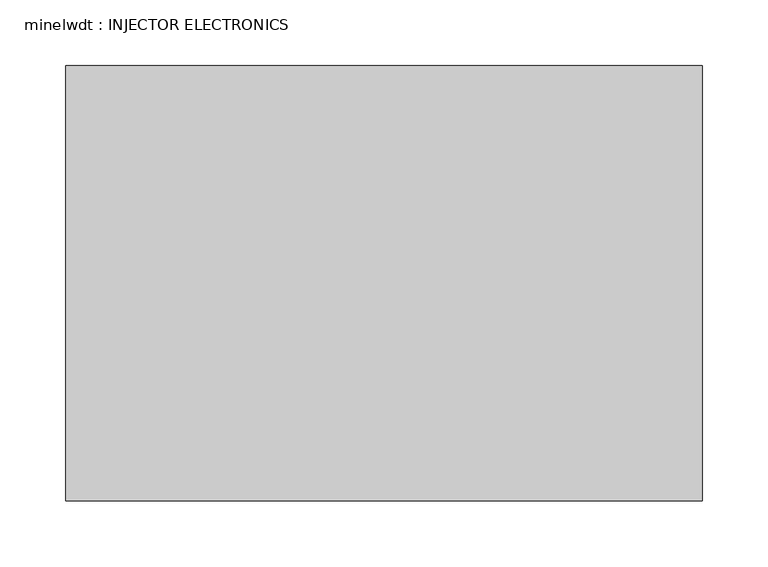
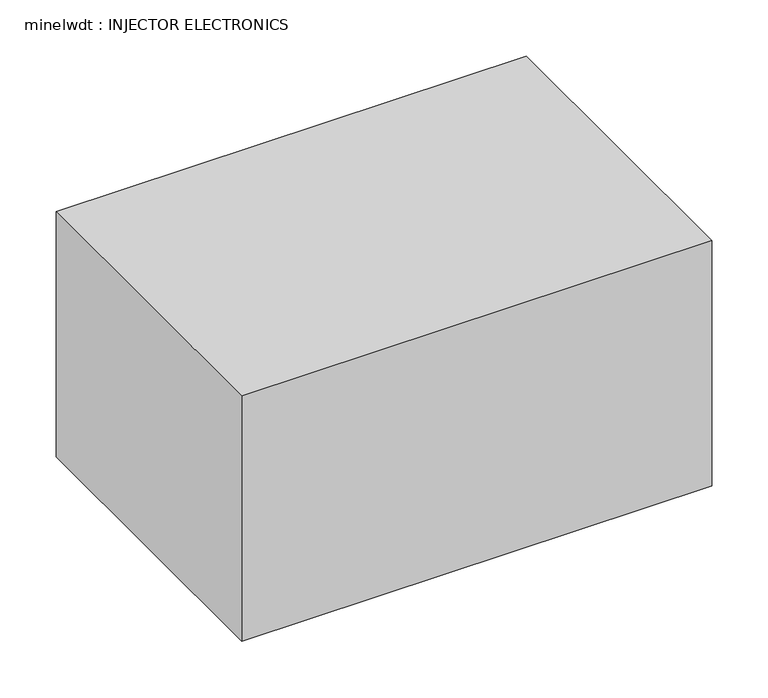
"""IFC4 building model written with IfcOpenShell, lengths in millimetres: proxy geometry, minelwdt : INJECTOR ELECTRONICS."""

from ifc_helpers import new_model, si_unit, frame, origin, place, context, project, spatial, polyline, outline, extrude, source, transform, mapped, element, save


def minelwdt_injector_electronics_f24d91c8(model_context):
    return source(origin(), model_context, "Body", "SweptSolid", [
        extrude(outline(polyline([(454.4545638, 77.3329439), (454.4545638, -252.8670561), (-28.1454362, -252.8670561), (-28.1454362, 77.3329439), (454.4545638, 77.3329439)])), frame((0.0, 0.0, 1524.0), z_axis=(0.0, 0.0, 1.0), x_axis=(1.0, 0.0, 0.0)), (0.0, 0.0, 1.0), 266.7),
    ])


if __name__ == "__main__":
    model = new_model("IFC4")
    model_context = context("Model", 3, world=origin())
    ifc_project = project(units=[si_unit("LENGTHUNIT", "METRE", prefix="MILLI")], contexts=[model_context])
    site = spatial("IfcSite", under=ifc_project)
    building = spatial("IfcBuilding", under=site)
    placement = place(None, origin())
    minelwdt_injector_electronics_shape = minelwdt_injector_electronics_f24d91c8(model_context)
    element("IfcBuildingElementProxy", 1, Name="minelwdt : INJECTOR ELECTRONICS", ObjectType="minelwdt : INJECTOR ELECTRONICS", at=placement, inside=building, context=model_context, shape_type="MappedRepresentation", body=[
        mapped(minelwdt_injector_electronics_shape, transform((0.0, 0.0, 0.0), x_axis=(1.0, 0.0, 0.0), y_axis=(0.0, 1.0, 0.0), z_axis=(0.0, 0.0, 1.0))),
    ])
    save(model, "model.ifc")
